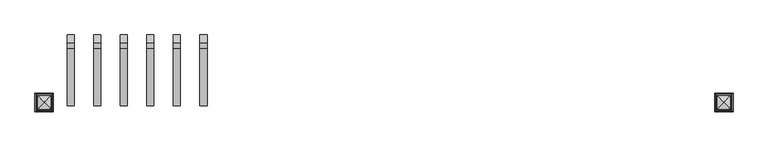
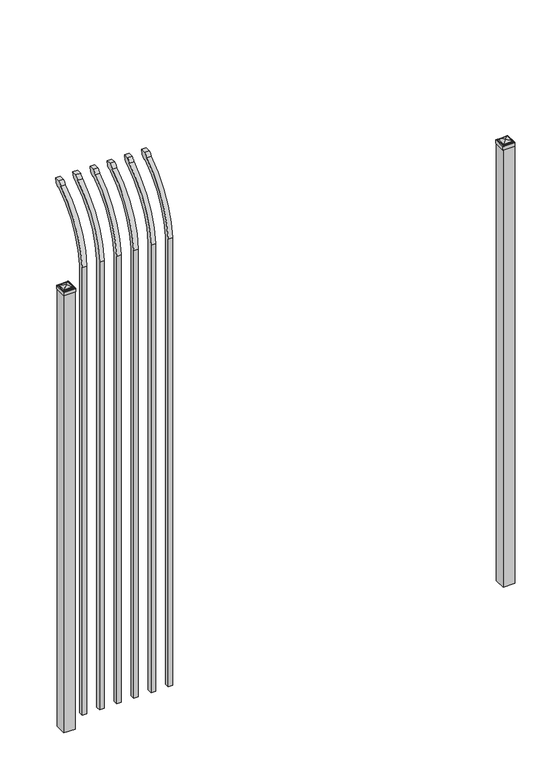
"""IFC4 building model written with IfcOpenShell, lengths in millimetres: railing geometry."""

from ifc_helpers import new_model, si_unit, point, frame, origin, origin_with_axes, place, context, project, spatial, polyline, circle_curve, ellipse_curve, trimmed, outline, extrude, source, transform, mapped, element, save
from ifc_brep_helpers import plane_surface, cylinder_surface, revolved_surface, extruded_surface, advanced_brep


def railing_c2ad1416(model_context):
    return source(origin(), model_context, "Body", "SolidModel", [
        advanced_brep(
        [(25175.9350064, 8857.619541, 50.8), (25175.9350064, 8857.619541, 2673.5226889), (25175.9350064, 9054.7326851, 3005.7022378), (25175.9350064, 9081.2407099, 3020.3867549), (25175.9350064, 9087.1100864, 3048.0), (25175.9350064, 9058.8799449, 3048.0), (25175.9350064, 9039.4931591, 3027.0682561), (25175.9350064, 8832.219541, 2673.5226889), (25175.9350064, 8832.219541, 50.8), (25150.5350064, 8857.619541, 50.8), (25150.5350064, 8857.619541, 2673.5226889), (25150.5350064, 8832.219541, 2673.5226889), (25150.5350064, 8832.219541, 50.8), (25150.5350064, 9039.4931591, 3027.0682561), (25150.5350064, 9058.8799449, 3048.0), (25150.5350064, 9087.1100864, 3048.0), (25150.5350064, 9081.2407099, 3020.3867549), (25150.5350064, 9054.7326851, 3005.7022378)],
        [
            (0, 1),
            (1, 2, circle_curve(frame((25175.9350064, 9294.9874207, 2638.5640776), z_axis=(-1.0, 0.0, 0.0), x_axis=(0.0, 1.0, 0.0)), 438.7627681)),
            (2, 3, ellipse_curve(frame((25175.9350064, 9062.5579376, 3028.1180619), z_axis=(1.0, 0.0, 0.0), x_axis=(0.0, -0.7771459614569761, -0.6293203910498311)), 26.7460194, 19.05)),
            (3, 4),
            (4, 5),
            (5, 6, ellipse_curve(frame((25175.9350064, 9062.5579376, 3028.1180619), z_axis=(0.9999999999999999, 0.0, 0.0), x_axis=(0.0, -0.7771459614569769, -0.62932039104983)), 26.7460194, 19.05)),
            (6, 7, circle_curve(frame((25175.9350064, 9294.0333244, 2640.3065933), z_axis=(1.0, 0.0, 0.0), x_axis=(0.0, 1.0, 0.0)), 463.0067812)),
            (7, 8),
            (8, 0),
            (0, 9),
            (9, 10),
            (10, 1),
            (7, 11),
            (11, 12),
            (12, 8),
            (12, 9),
            (11, 13, circle_curve(frame((25150.5350064, 9294.0333244, 2640.3065933), z_axis=(-1.0, 0.0, 0.0), x_axis=(0.0, 1.0, 0.0)), 463.0067812)),
            (13, 14, ellipse_curve(frame((25150.5350064, 9062.5579376, 3028.1180619), z_axis=(-0.9999999999999999, 0.0, 0.0), x_axis=(0.0, -0.7771459614569769, -0.62932039104983)), 26.7460194, 19.05)),
            (14, 15),
            (15, 16),
            (16, 17, ellipse_curve(frame((25150.5350064, 9062.5579376, 3028.1180619), z_axis=(-1.0, 0.0, 0.0), x_axis=(0.0, -0.7771459614569761, -0.6293203910498311)), 26.7460194, 19.05)),
            (17, 10, circle_curve(frame((25150.5350064, 9294.9874207, 2638.5640776), z_axis=(1.0, 0.0, 0.0), x_axis=(0.0, 1.0, 0.0)), 438.7627681)),
            (17, 2),
            (16, 3),
            (15, 4),
            (14, 5),
            (13, 6),
        ],
        [
            plane_surface(frame((25175.9350064, 8857.619541, 50.8), z_axis=(1.0, 0.0, 0.0), x_axis=(0.0, 0.0, 1.0))),
            plane_surface(frame((25175.9350064, 8857.619541, 50.8), z_axis=(0.0, 1.0, 0.0), x_axis=(-1.0, 0.0, 0.0))),
            plane_surface(frame((25175.9350064, 8832.219541, 2673.5226889), z_axis=(0.0, -1.0, 0.0), x_axis=(-1.0, 0.0, 0.0))),
            plane_surface(frame((25175.9350064, 8832.219541, 50.8), z_axis=(0.0, 0.0, -1.0), x_axis=(-1.0, 0.0, 0.0))),
            plane_surface(frame((25150.5350064, 8857.619541, 50.8), z_axis=(-1.0, 0.0, 0.0), x_axis=(0.0, 0.0, -1.0))),
            revolved_surface(polyline([(25150.5350064, 9733.750188799999, 2638.5640776), (25175.9350064, 9733.750188799999, 2638.5640776)]), (25150.5350064, 9294.9874207, 2638.5640776), (-1.0, 0.0, 0.0)),
            extruded_surface(trimmed(ellipse_curve(frame((25125.1350064, 9062.5579376, 3028.1180619), z_axis=(1.0, 0.0, 0.0), x_axis=(0.0, -0.7771459614569761, -0.6293203910498311)), 26.7460194, 19.05), [point((25125.1350064, 9054.7326851, 3005.7022378))], [point((25125.1350064, 9081.2407099, 3020.3867549))], True, "CARTESIAN"), (25.400000000001455, 0.0, 0.0), 25.400000000001455),
            plane_surface(frame((25175.9350064, 9081.2407099, 3020.3867549), z_axis=(0.0, 0.9781476007338016, -0.2079116908177787), x_axis=(-1.0, 0.0, 0.0))),
            plane_surface(frame((25175.9350064, 9087.1100864, 3048.0), z_axis=(0.0, 0.0, 1.0), x_axis=(-1.0, 0.0, 0.0))),
            extruded_surface(trimmed(ellipse_curve(frame((25125.1350064, 9062.5579376, 3028.1180619), z_axis=(0.9999999999999999, 0.0, 0.0), x_axis=(0.0, -0.7771459614569769, -0.62932039104983)), 26.7460194, 19.05), [point((25125.1350064, 9058.8799449, 3048.0))], [point((25125.1350064, 9039.4931591, 3027.0682561))], True, "CARTESIAN"), (25.400000000001455, 0.0, 0.0), 25.400000000001455),
            cylinder_surface(frame((25150.5350064, 9294.0333244, 2640.3065933), z_axis=(1.0, 0.0, 0.0), x_axis=(0.0, 1.0, 0.0)), 463.0067812),
        ],
        [
            (0, [[1, 2, 3, 4, 5, 6, 7, 8, 9]]),
            (1, [[-1, 10, 11, 12]]),
            (2, [[-8, 13, 14, 15]]),
            (3, [[-9, -15, 16, -10]]),
            (4, [[-16, -14, 17, 18, 19, 20, 21, 22, -11]]),
            (5, [[-2, -12, -22, 23]]),
            (6, [[-3, -23, -21, 24]]),
            (7, [[-4, -24, -20, 25]]),
            (8, [[-5, -25, -19, 26]]),
            (9, [[-6, -26, -18, 27]]),
            (10, [[-7, -27, -17, -13]]),
        ],
    ),
        advanced_brep(
        [(25080.6850064, 8857.619541, 50.8), (25080.6850064, 8857.619541, 2673.5226889), (25080.6850064, 9054.7326851, 3005.7022378), (25080.6850064, 9081.2407099, 3020.3867549), (25080.6850064, 9087.1100864, 3048.0), (25080.6850064, 9058.8799449, 3048.0), (25080.6850064, 9039.4931591, 3027.0682561), (25080.6850064, 8832.219541, 2673.5226889), (25080.6850064, 8832.219541, 50.8), (25055.2850064, 8857.619541, 50.8), (25055.2850064, 8857.619541, 2673.5226889), (25055.2850064, 8832.219541, 2673.5226889), (25055.2850064, 8832.219541, 50.8), (25055.2850064, 9039.4931591, 3027.0682561), (25055.2850064, 9058.8799449, 3048.0), (25055.2850064, 9087.1100864, 3048.0), (25055.2850064, 9081.2407099, 3020.3867549), (25055.2850064, 9054.7326851, 3005.7022378)],
        [
            (0, 1),
            (1, 2, circle_curve(frame((25080.6850064, 9294.9874207, 2638.5640776), z_axis=(-1.0, 0.0, 0.0), x_axis=(0.0, 1.0, 0.0)), 438.7627681)),
            (2, 3, ellipse_curve(frame((25080.6850064, 9062.5579376, 3028.1180619), z_axis=(1.0, 0.0, 0.0), x_axis=(0.0, -0.7771459614569761, -0.6293203910498311)), 26.7460194, 19.05)),
            (3, 4),
            (4, 5),
            (5, 6, ellipse_curve(frame((25080.6850064, 9062.5579376, 3028.1180619), z_axis=(0.9999999999999999, 0.0, 0.0), x_axis=(0.0, -0.7771459614569769, -0.62932039104983)), 26.7460194, 19.05)),
            (6, 7, circle_curve(frame((25080.6850064, 9294.0333244, 2640.3065933), z_axis=(1.0, 0.0, 0.0), x_axis=(0.0, 1.0, 0.0)), 463.0067812)),
            (7, 8),
            (8, 0),
            (0, 9),
            (9, 10),
            (10, 1),
            (7, 11),
            (11, 12),
            (12, 8),
            (12, 9),
            (11, 13, circle_curve(frame((25055.2850064, 9294.0333244, 2640.3065933), z_axis=(-1.0, 0.0, 0.0), x_axis=(0.0, 1.0, 0.0)), 463.0067812)),
            (13, 14, ellipse_curve(frame((25055.2850064, 9062.5579376, 3028.1180619), z_axis=(-0.9999999999999999, 0.0, 0.0), x_axis=(0.0, -0.7771459614569769, -0.62932039104983)), 26.7460194, 19.05)),
            (14, 15),
            (15, 16),
            (16, 17, ellipse_curve(frame((25055.2850064, 9062.5579376, 3028.1180619), z_axis=(-1.0, 0.0, 0.0), x_axis=(0.0, -0.7771459614569761, -0.6293203910498311)), 26.7460194, 19.05)),
            (17, 10, circle_curve(frame((25055.2850064, 9294.9874207, 2638.5640776), z_axis=(1.0, 0.0, 0.0), x_axis=(0.0, 1.0, 0.0)), 438.7627681)),
            (17, 2),
            (16, 3),
            (15, 4),
            (14, 5),
            (13, 6),
        ],
        [
            plane_surface(frame((25080.6850064, 8857.619541, 50.8), z_axis=(1.0, 0.0, 0.0), x_axis=(0.0, 0.0, 1.0))),
            plane_surface(frame((25080.6850064, 8857.619541, 50.8), z_axis=(0.0, 1.0, 0.0), x_axis=(-1.0, 0.0, 0.0))),
            plane_surface(frame((25080.6850064, 8832.219541, 2673.5226889), z_axis=(0.0, -1.0, 0.0), x_axis=(-1.0, 0.0, 0.0))),
            plane_surface(frame((25080.6850064, 8832.219541, 50.8), z_axis=(0.0, 0.0, -1.0), x_axis=(-1.0, 0.0, 0.0))),
            plane_surface(frame((25055.2850064, 8857.619541, 50.8), z_axis=(-1.0, 0.0, 0.0), x_axis=(0.0, 0.0, -1.0))),
            revolved_surface(polyline([(25055.2850064, 9733.750188799999, 2638.5640776), (25080.6850064, 9733.750188799999, 2638.5640776)]), (25055.2850064, 9294.9874207, 2638.5640776), (-1.0, 0.0, 0.0)),
            extruded_surface(trimmed(ellipse_curve(frame((25029.8850064, 9062.5579376, 3028.1180619), z_axis=(1.0, 0.0, 0.0), x_axis=(0.0, -0.7771459614569761, -0.6293203910498311)), 26.7460194, 19.05), [point((25029.8850064, 9054.7326851, 3005.7022378))], [point((25029.8850064, 9081.2407099, 3020.3867549))], True, "CARTESIAN"), (25.400000000001455, 0.0, 0.0), 25.400000000001455),
            plane_surface(frame((25080.6850064, 9081.2407099, 3020.3867549), z_axis=(0.0, 0.9781476007338016, -0.2079116908177787), x_axis=(-1.0, 0.0, 0.0))),
            plane_surface(frame((25080.6850064, 9087.1100864, 3048.0), z_axis=(0.0, 0.0, 1.0), x_axis=(-1.0, 0.0, 0.0))),
            extruded_surface(trimmed(ellipse_curve(frame((25029.8850064, 9062.5579376, 3028.1180619), z_axis=(0.9999999999999999, 0.0, 0.0), x_axis=(0.0, -0.7771459614569769, -0.62932039104983)), 26.7460194, 19.05), [point((25029.8850064, 9058.8799449, 3048.0))], [point((25029.8850064, 9039.4931591, 3027.0682561))], True, "CARTESIAN"), (25.400000000001455, 0.0, 0.0), 25.400000000001455),
            cylinder_surface(frame((25055.2850064, 9294.0333244, 2640.3065933), z_axis=(1.0, 0.0, 0.0), x_axis=(0.0, 1.0, 0.0)), 463.0067812),
        ],
        [
            (0, [[1, 2, 3, 4, 5, 6, 7, 8, 9]]),
            (1, [[-1, 10, 11, 12]]),
            (2, [[-8, 13, 14, 15]]),
            (3, [[-9, -15, 16, -10]]),
            (4, [[-16, -14, 17, 18, 19, 20, 21, 22, -11]]),
            (5, [[-2, -12, -22, 23]]),
            (6, [[-3, -23, -21, 24]]),
            (7, [[-4, -24, -20, 25]]),
            (8, [[-5, -25, -19, 26]]),
            (9, [[-6, -26, -18, 27]]),
            (10, [[-7, -27, -17, -13]]),
        ],
    ),
        advanced_brep(
        [(24985.4350064, 8857.619541, 50.8), (24985.4350064, 8857.619541, 2673.5226889), (24985.4350064, 9054.7326851, 3005.7022378), (24985.4350064, 9081.2407099, 3020.3867549), (24985.4350064, 9087.1100864, 3048.0), (24985.4350064, 9058.8799449, 3048.0), (24985.4350064, 9039.4931591, 3027.0682561), (24985.4350064, 8832.219541, 2673.5226889), (24985.4350064, 8832.219541, 50.8), (24960.0350064, 8857.619541, 50.8), (24960.0350064, 8857.619541, 2673.5226889), (24960.0350064, 8832.219541, 2673.5226889), (24960.0350064, 8832.219541, 50.8), (24960.0350064, 9039.4931591, 3027.0682561), (24960.0350064, 9058.8799449, 3048.0), (24960.0350064, 9087.1100864, 3048.0), (24960.0350064, 9081.2407099, 3020.3867549), (24960.0350064, 9054.7326851, 3005.7022378)],
        [
            (0, 1),
            (1, 2, circle_curve(frame((24985.4350064, 9294.9874207, 2638.5640776), z_axis=(-1.0, 0.0, 0.0), x_axis=(0.0, 1.0, 0.0)), 438.7627681)),
            (2, 3, ellipse_curve(frame((24985.4350064, 9062.5579376, 3028.1180619), z_axis=(1.0, 0.0, 0.0), x_axis=(0.0, -0.7771459614569761, -0.6293203910498311)), 26.7460194, 19.05)),
            (3, 4),
            (4, 5),
            (5, 6, ellipse_curve(frame((24985.4350064, 9062.5579376, 3028.1180619), z_axis=(0.9999999999999999, 0.0, 0.0), x_axis=(0.0, -0.7771459614569769, -0.62932039104983)), 26.7460194, 19.05)),
            (6, 7, circle_curve(frame((24985.4350064, 9294.0333244, 2640.3065933), z_axis=(1.0, 0.0, 0.0), x_axis=(0.0, 1.0, 0.0)), 463.0067812)),
            (7, 8),
            (8, 0),
            (0, 9),
            (9, 10),
            (10, 1),
            (7, 11),
            (11, 12),
            (12, 8),
            (12, 9),
            (11, 13, circle_curve(frame((24960.0350064, 9294.0333244, 2640.3065933), z_axis=(-1.0, 0.0, 0.0), x_axis=(0.0, 1.0, 0.0)), 463.0067812)),
            (13, 14, ellipse_curve(frame((24960.0350064, 9062.5579376, 3028.1180619), z_axis=(-0.9999999999999999, 0.0, 0.0), x_axis=(0.0, -0.7771459614569769, -0.62932039104983)), 26.7460194, 19.05)),
            (14, 15),
            (15, 16),
            (16, 17, ellipse_curve(frame((24960.0350064, 9062.5579376, 3028.1180619), z_axis=(-1.0, 0.0, 0.0), x_axis=(0.0, -0.7771459614569761, -0.6293203910498311)), 26.7460194, 19.05)),
            (17, 10, circle_curve(frame((24960.0350064, 9294.9874207, 2638.5640776), z_axis=(1.0, 0.0, 0.0), x_axis=(0.0, 1.0, 0.0)), 438.7627681)),
            (17, 2),
            (16, 3),
            (15, 4),
            (14, 5),
            (13, 6),
        ],
        [
            plane_surface(frame((24985.4350064, 8857.619541, 50.8), z_axis=(1.0, 0.0, 0.0), x_axis=(0.0, 0.0, 1.0))),
            plane_surface(frame((24985.4350064, 8857.619541, 50.8), z_axis=(0.0, 1.0, 0.0), x_axis=(-1.0, 0.0, 0.0))),
            plane_surface(frame((24985.4350064, 8832.219541, 2673.5226889), z_axis=(0.0, -1.0, 0.0), x_axis=(-1.0, 0.0, 0.0))),
            plane_surface(frame((24985.4350064, 8832.219541, 50.8), z_axis=(0.0, 0.0, -1.0), x_axis=(-1.0, 0.0, 0.0))),
            plane_surface(frame((24960.0350064, 8857.619541, 50.8), z_axis=(-1.0, 0.0, 0.0), x_axis=(0.0, 0.0, -1.0))),
            revolved_surface(polyline([(24960.0350064, 9733.750188799999, 2638.5640776), (24985.4350064, 9733.750188799999, 2638.5640776)]), (24960.0350064, 9294.9874207, 2638.5640776), (-1.0, 0.0, 0.0)),
            extruded_surface(trimmed(ellipse_curve(frame((24934.6350064, 9062.5579376, 3028.1180619), z_axis=(1.0, 0.0, 0.0), x_axis=(0.0, -0.7771459614569761, -0.6293203910498311)), 26.7460194, 19.05), [point((24934.6350064, 9054.7326851, 3005.7022378))], [point((24934.6350064, 9081.2407099, 3020.3867549))], True, "CARTESIAN"), (25.400000000001455, 0.0, 0.0), 25.400000000001455),
            plane_surface(frame((24985.4350064, 9081.2407099, 3020.3867549), z_axis=(0.0, 0.9781476007338016, -0.2079116908177787), x_axis=(-1.0, 0.0, 0.0))),
            plane_surface(frame((24985.4350064, 9087.1100864, 3048.0), z_axis=(0.0, 0.0, 1.0), x_axis=(-1.0, 0.0, 0.0))),
            extruded_surface(trimmed(ellipse_curve(frame((24934.6350064, 9062.5579376, 3028.1180619), z_axis=(0.9999999999999999, 0.0, 0.0), x_axis=(0.0, -0.7771459614569769, -0.62932039104983)), 26.7460194, 19.05), [point((24934.6350064, 9058.8799449, 3048.0))], [point((24934.6350064, 9039.4931591, 3027.0682561))], True, "CARTESIAN"), (25.400000000001455, 0.0, 0.0), 25.400000000001455),
            cylinder_surface(frame((24960.0350064, 9294.0333244, 2640.3065933), z_axis=(1.0, 0.0, 0.0), x_axis=(0.0, 1.0, 0.0)), 463.0067812),
        ],
        [
            (0, [[1, 2, 3, 4, 5, 6, 7, 8, 9]]),
            (1, [[-1, 10, 11, 12]]),
            (2, [[-8, 13, 14, 15]]),
            (3, [[-9, -15, 16, -10]]),
            (4, [[-16, -14, 17, 18, 19, 20, 21, 22, -11]]),
            (5, [[-2, -12, -22, 23]]),
            (6, [[-3, -23, -21, 24]]),
            (7, [[-4, -24, -20, 25]]),
            (8, [[-5, -25, -19, 26]]),
            (9, [[-6, -26, -18, 27]]),
            (10, [[-7, -27, -17, -13]]),
        ],
    ),
        advanced_brep(
        [(24890.1850064, 8857.619541, 50.8), (24890.1850064, 8857.619541, 2673.5226889), (24890.1850064, 9054.7326851, 3005.7022378), (24890.1850064, 9081.2407099, 3020.3867549), (24890.1850064, 9087.1100864, 3048.0), (24890.1850064, 9058.8799449, 3048.0), (24890.1850064, 9039.4931591, 3027.0682561), (24890.1850064, 8832.219541, 2673.5226889), (24890.1850064, 8832.219541, 50.8), (24864.7850064, 8857.619541, 50.8), (24864.7850064, 8857.619541, 2673.5226889), (24864.7850064, 8832.219541, 2673.5226889), (24864.7850064, 8832.219541, 50.8), (24864.7850064, 9039.4931591, 3027.0682561), (24864.7850064, 9058.8799449, 3048.0), (24864.7850064, 9087.1100864, 3048.0), (24864.7850064, 9081.2407099, 3020.3867549), (24864.7850064, 9054.7326851, 3005.7022378)],
        [
            (0, 1),
            (1, 2, circle_curve(frame((24890.1850064, 9294.9874207, 2638.5640776), z_axis=(-1.0, 0.0, 0.0), x_axis=(0.0, 1.0, 0.0)), 438.7627681)),
            (2, 3, ellipse_curve(frame((24890.1850064, 9062.5579376, 3028.1180619), z_axis=(1.0, 0.0, 0.0), x_axis=(0.0, -0.7771459614569761, -0.6293203910498311)), 26.7460194, 19.05)),
            (3, 4),
            (4, 5),
            (5, 6, ellipse_curve(frame((24890.1850064, 9062.5579376, 3028.1180619), z_axis=(0.9999999999999999, 0.0, 0.0), x_axis=(0.0, -0.7771459614569769, -0.62932039104983)), 26.7460194, 19.05)),
            (6, 7, circle_curve(frame((24890.1850064, 9294.0333244, 2640.3065933), z_axis=(1.0, 0.0, 0.0), x_axis=(0.0, 1.0, 0.0)), 463.0067812)),
            (7, 8),
            (8, 0),
            (0, 9),
            (9, 10),
            (10, 1),
            (7, 11),
            (11, 12),
            (12, 8),
            (12, 9),
            (11, 13, circle_curve(frame((24864.7850064, 9294.0333244, 2640.3065933), z_axis=(-1.0, 0.0, 0.0), x_axis=(0.0, 1.0, 0.0)), 463.0067812)),
            (13, 14, ellipse_curve(frame((24864.7850064, 9062.5579376, 3028.1180619), z_axis=(-0.9999999999999999, 0.0, 0.0), x_axis=(0.0, -0.7771459614569769, -0.62932039104983)), 26.7460194, 19.05)),
            (14, 15),
            (15, 16),
            (16, 17, ellipse_curve(frame((24864.7850064, 9062.5579376, 3028.1180619), z_axis=(-1.0, 0.0, 0.0), x_axis=(0.0, -0.7771459614569761, -0.6293203910498311)), 26.7460194, 19.05)),
            (17, 10, circle_curve(frame((24864.7850064, 9294.9874207, 2638.5640776), z_axis=(1.0, 0.0, 0.0), x_axis=(0.0, 1.0, 0.0)), 438.7627681)),
            (17, 2),
            (16, 3),
            (15, 4),
            (14, 5),
            (13, 6),
        ],
        [
            plane_surface(frame((24890.1850064, 8857.619541, 50.8), z_axis=(1.0, 0.0, 0.0), x_axis=(0.0, 0.0, 1.0))),
            plane_surface(frame((24890.1850064, 8857.619541, 50.8), z_axis=(0.0, 1.0, 0.0), x_axis=(-1.0, 0.0, 0.0))),
            plane_surface(frame((24890.1850064, 8832.219541, 2673.5226889), z_axis=(0.0, -1.0, 0.0), x_axis=(-1.0, 0.0, 0.0))),
            plane_surface(frame((24890.1850064, 8832.219541, 50.8), z_axis=(0.0, 0.0, -1.0), x_axis=(-1.0, 0.0, 0.0))),
            plane_surface(frame((24864.7850064, 8857.619541, 50.8), z_axis=(-1.0, 0.0, 0.0), x_axis=(0.0, 0.0, -1.0))),
            revolved_surface(polyline([(24864.7850064, 9733.750188799999, 2638.5640776), (24890.1850064, 9733.750188799999, 2638.5640776)]), (24864.7850064, 9294.9874207, 2638.5640776), (-1.0, 0.0, 0.0)),
            extruded_surface(trimmed(ellipse_curve(frame((24839.3850064, 9062.5579376, 3028.1180619), z_axis=(1.0, 0.0, 0.0), x_axis=(0.0, -0.7771459614569761, -0.6293203910498311)), 26.7460194, 19.05), [point((24839.3850064, 9054.7326851, 3005.7022378))], [point((24839.3850064, 9081.2407099, 3020.3867549))], True, "CARTESIAN"), (25.400000000001455, 0.0, 0.0), 25.400000000001455),
            plane_surface(frame((24890.1850064, 9081.2407099, 3020.3867549), z_axis=(0.0, 0.9781476007338016, -0.2079116908177787), x_axis=(-1.0, 0.0, 0.0))),
            plane_surface(frame((24890.1850064, 9087.1100864, 3048.0), z_axis=(0.0, 0.0, 1.0), x_axis=(-1.0, 0.0, 0.0))),
            extruded_surface(trimmed(ellipse_curve(frame((24839.3850064, 9062.5579376, 3028.1180619), z_axis=(0.9999999999999999, 0.0, 0.0), x_axis=(0.0, -0.7771459614569769, -0.62932039104983)), 26.7460194, 19.05), [point((24839.3850064, 9058.8799449, 3048.0))], [point((24839.3850064, 9039.4931591, 3027.0682561))], True, "CARTESIAN"), (25.400000000001455, 0.0, 0.0), 25.400000000001455),
            cylinder_surface(frame((24864.7850064, 9294.0333244, 2640.3065933), z_axis=(1.0, 0.0, 0.0), x_axis=(0.0, 1.0, 0.0)), 463.0067812),
        ],
        [
            (0, [[1, 2, 3, 4, 5, 6, 7, 8, 9]]),
            (1, [[-1, 10, 11, 12]]),
            (2, [[-8, 13, 14, 15]]),
            (3, [[-9, -15, 16, -10]]),
            (4, [[-16, -14, 17, 18, 19, 20, 21, 22, -11]]),
            (5, [[-2, -12, -22, 23]]),
            (6, [[-3, -23, -21, 24]]),
            (7, [[-4, -24, -20, 25]]),
            (8, [[-5, -25, -19, 26]]),
            (9, [[-6, -26, -18, 27]]),
            (10, [[-7, -27, -17, -13]]),
        ],
    ),
        advanced_brep(
        [(24794.9350064, 8857.619541, 50.8), (24794.9350064, 8857.619541, 2673.5226889), (24794.9350064, 9054.7326851, 3005.7022378), (24794.9350064, 9081.2407099, 3020.3867549), (24794.9350064, 9087.1100864, 3048.0), (24794.9350064, 9058.8799449, 3048.0), (24794.9350064, 9039.4931591, 3027.0682561), (24794.9350064, 8832.219541, 2673.5226889), (24794.9350064, 8832.219541, 50.8), (24769.5350064, 8857.619541, 50.8), (24769.5350064, 8857.619541, 2673.5226889), (24769.5350064, 8832.219541, 2673.5226889), (24769.5350064, 8832.219541, 50.8), (24769.5350064, 9039.4931591, 3027.0682561), (24769.5350064, 9058.8799449, 3048.0), (24769.5350064, 9087.1100864, 3048.0), (24769.5350064, 9081.2407099, 3020.3867549), (24769.5350064, 9054.7326851, 3005.7022378)],
        [
            (0, 1),
            (1, 2, circle_curve(frame((24794.9350064, 9294.9874207, 2638.5640776), z_axis=(-1.0, 0.0, 0.0), x_axis=(0.0, 1.0, 0.0)), 438.7627681)),
            (2, 3, ellipse_curve(frame((24794.9350064, 9062.5579376, 3028.1180619), z_axis=(1.0, 0.0, 0.0), x_axis=(0.0, -0.7771459614569761, -0.6293203910498311)), 26.7460194, 19.05)),
            (3, 4),
            (4, 5),
            (5, 6, ellipse_curve(frame((24794.9350064, 9062.5579376, 3028.1180619), z_axis=(0.9999999999999999, 0.0, 0.0), x_axis=(0.0, -0.7771459614569769, -0.62932039104983)), 26.7460194, 19.05)),
            (6, 7, circle_curve(frame((24794.9350064, 9294.0333244, 2640.3065933), z_axis=(1.0, 0.0, 0.0), x_axis=(0.0, 1.0, 0.0)), 463.0067812)),
            (7, 8),
            (8, 0),
            (0, 9),
            (9, 10),
            (10, 1),
            (7, 11),
            (11, 12),
            (12, 8),
            (12, 9),
            (11, 13, circle_curve(frame((24769.5350064, 9294.0333244, 2640.3065933), z_axis=(-1.0, 0.0, 0.0), x_axis=(0.0, 1.0, 0.0)), 463.0067812)),
            (13, 14, ellipse_curve(frame((24769.5350064, 9062.5579376, 3028.1180619), z_axis=(-0.9999999999999999, 0.0, 0.0), x_axis=(0.0, -0.7771459614569769, -0.62932039104983)), 26.7460194, 19.05)),
            (14, 15),
            (15, 16),
            (16, 17, ellipse_curve(frame((24769.5350064, 9062.5579376, 3028.1180619), z_axis=(-1.0, 0.0, 0.0), x_axis=(0.0, -0.7771459614569761, -0.6293203910498311)), 26.7460194, 19.05)),
            (17, 10, circle_curve(frame((24769.5350064, 9294.9874207, 2638.5640776), z_axis=(1.0, 0.0, 0.0), x_axis=(0.0, 1.0, 0.0)), 438.7627681)),
            (17, 2),
            (16, 3),
            (15, 4),
            (14, 5),
            (13, 6),
        ],
        [
            plane_surface(frame((24794.9350064, 8857.619541, 50.8), z_axis=(1.0, 0.0, 0.0), x_axis=(0.0, 0.0, 1.0))),
            plane_surface(frame((24794.9350064, 8857.619541, 50.8), z_axis=(0.0, 1.0, 0.0), x_axis=(-1.0, 0.0, 0.0))),
            plane_surface(frame((24794.9350064, 8832.219541, 2673.5226889), z_axis=(0.0, -1.0, 0.0), x_axis=(-1.0, 0.0, 0.0))),
            plane_surface(frame((24794.9350064, 8832.219541, 50.8), z_axis=(0.0, 0.0, -1.0), x_axis=(-1.0, 0.0, 0.0))),
            plane_surface(frame((24769.5350064, 8857.619541, 50.8), z_axis=(-1.0, 0.0, 0.0), x_axis=(0.0, 0.0, -1.0))),
            revolved_surface(polyline([(24769.5350064, 9733.750188799999, 2638.5640776), (24794.9350064, 9733.750188799999, 2638.5640776)]), (24769.5350064, 9294.9874207, 2638.5640776), (-1.0, 0.0, 0.0)),
            extruded_surface(trimmed(ellipse_curve(frame((24744.1350064, 9062.5579376, 3028.1180619), z_axis=(1.0, 0.0, 0.0), x_axis=(0.0, -0.7771459614569761, -0.6293203910498311)), 26.7460194, 19.05), [point((24744.1350064, 9054.7326851, 3005.7022378))], [point((24744.1350064, 9081.2407099, 3020.3867549))], True, "CARTESIAN"), (25.400000000001455, 0.0, 0.0), 25.400000000001455),
            plane_surface(frame((24794.9350064, 9081.2407099, 3020.3867549), z_axis=(0.0, 0.9781476007338016, -0.2079116908177787), x_axis=(-1.0, 0.0, 0.0))),
            plane_surface(frame((24794.9350064, 9087.1100864, 3048.0), z_axis=(0.0, 0.0, 1.0), x_axis=(-1.0, 0.0, 0.0))),
            extruded_surface(trimmed(ellipse_curve(frame((24744.1350064, 9062.5579376, 3028.1180619), z_axis=(0.9999999999999999, 0.0, 0.0), x_axis=(0.0, -0.7771459614569769, -0.62932039104983)), 26.7460194, 19.05), [point((24744.1350064, 9058.8799449, 3048.0))], [point((24744.1350064, 9039.4931591, 3027.0682561))], True, "CARTESIAN"), (25.400000000001455, 0.0, 0.0), 25.400000000001455),
            cylinder_surface(frame((24769.5350064, 9294.0333244, 2640.3065933), z_axis=(1.0, 0.0, 0.0), x_axis=(0.0, 1.0, 0.0)), 463.0067812),
        ],
        [
            (0, [[1, 2, 3, 4, 5, 6, 7, 8, 9]]),
            (1, [[-1, 10, 11, 12]]),
            (2, [[-8, 13, 14, 15]]),
            (3, [[-9, -15, 16, -10]]),
            (4, [[-16, -14, 17, 18, 19, 20, 21, 22, -11]]),
            (5, [[-2, -12, -22, 23]]),
            (6, [[-3, -23, -21, 24]]),
            (7, [[-4, -24, -20, 25]]),
            (8, [[-5, -25, -19, 26]]),
            (9, [[-6, -26, -18, 27]]),
            (10, [[-7, -27, -17, -13]]),
        ],
    ),
        advanced_brep(
        [(24699.6850064, 8857.619541, 50.8), (24699.6850064, 8857.619541, 2673.5226889), (24699.6850064, 9054.7326851, 3005.7022378), (24699.6850064, 9081.2407099, 3020.3867549), (24699.6850064, 9087.1100864, 3048.0), (24699.6850064, 9058.8799449, 3048.0), (24699.6850064, 9039.4931591, 3027.0682561), (24699.6850064, 8832.219541, 2673.5226889), (24699.6850064, 8832.219541, 50.8), (24674.2850064, 8857.619541, 50.8), (24674.2850064, 8857.619541, 2673.5226889), (24674.2850064, 8832.219541, 2673.5226889), (24674.2850064, 8832.219541, 50.8), (24674.2850064, 9039.4931591, 3027.0682561), (24674.2850064, 9058.8799449, 3048.0), (24674.2850064, 9087.1100864, 3048.0), (24674.2850064, 9081.2407099, 3020.3867549), (24674.2850064, 9054.7326851, 3005.7022378)],
        [
            (0, 1),
            (1, 2, circle_curve(frame((24699.6850064, 9294.9874207, 2638.5640776), z_axis=(-1.0, 0.0, 0.0), x_axis=(0.0, 1.0, 0.0)), 438.7627681)),
            (2, 3, ellipse_curve(frame((24699.6850064, 9062.5579376, 3028.1180619), z_axis=(1.0, 0.0, 0.0), x_axis=(0.0, -0.7771459614569761, -0.6293203910498311)), 26.7460194, 19.05)),
            (3, 4),
            (4, 5),
            (5, 6, ellipse_curve(frame((24699.6850064, 9062.5579376, 3028.1180619), z_axis=(0.9999999999999999, 0.0, 0.0), x_axis=(0.0, -0.7771459614569769, -0.62932039104983)), 26.7460194, 19.05)),
            (6, 7, circle_curve(frame((24699.6850064, 9294.0333244, 2640.3065933), z_axis=(1.0, 0.0, 0.0), x_axis=(0.0, 1.0, 0.0)), 463.0067812)),
            (7, 8),
            (8, 0),
            (0, 9),
            (9, 10),
            (10, 1),
            (7, 11),
            (11, 12),
            (12, 8),
            (12, 9),
            (11, 13, circle_curve(frame((24674.2850064, 9294.0333244, 2640.3065933), z_axis=(-1.0, 0.0, 0.0), x_axis=(0.0, 1.0, 0.0)), 463.0067812)),
            (13, 14, ellipse_curve(frame((24674.2850064, 9062.5579376, 3028.1180619), z_axis=(-0.9999999999999999, 0.0, 0.0), x_axis=(0.0, -0.7771459614569769, -0.62932039104983)), 26.7460194, 19.05)),
            (14, 15),
            (15, 16),
            (16, 17, ellipse_curve(frame((24674.2850064, 9062.5579376, 3028.1180619), z_axis=(-1.0, 0.0, 0.0), x_axis=(0.0, -0.7771459614569761, -0.6293203910498311)), 26.7460194, 19.05)),
            (17, 10, circle_curve(frame((24674.2850064, 9294.9874207, 2638.5640776), z_axis=(1.0, 0.0, 0.0), x_axis=(0.0, 1.0, 0.0)), 438.7627681)),
            (17, 2),
            (16, 3),
            (15, 4),
            (14, 5),
            (13, 6),
        ],
        [
            plane_surface(frame((24699.6850064, 8857.619541, 50.8), z_axis=(1.0, 0.0, 0.0), x_axis=(0.0, 0.0, 1.0))),
            plane_surface(frame((24699.6850064, 8857.619541, 50.8), z_axis=(0.0, 1.0, 0.0), x_axis=(-1.0, 0.0, 0.0))),
            plane_surface(frame((24699.6850064, 8832.219541, 2673.5226889), z_axis=(0.0, -1.0, 0.0), x_axis=(-1.0, 0.0, 0.0))),
            plane_surface(frame((24699.6850064, 8832.219541, 50.8), z_axis=(0.0, 0.0, -1.0), x_axis=(-1.0, 0.0, 0.0))),
            plane_surface(frame((24674.2850064, 8857.619541, 50.8), z_axis=(-1.0, 0.0, 0.0), x_axis=(0.0, 0.0, -1.0))),
            revolved_surface(polyline([(24674.2850064, 9733.750188799999, 2638.5640776), (24699.6850064, 9733.750188799999, 2638.5640776)]), (24674.2850064, 9294.9874207, 2638.5640776), (-1.0, 0.0, 0.0)),
            extruded_surface(trimmed(ellipse_curve(frame((24648.8850064, 9062.5579376, 3028.1180619), z_axis=(1.0, 0.0, 0.0), x_axis=(0.0, -0.7771459614569761, -0.6293203910498311)), 26.7460194, 19.05), [point((24648.8850064, 9054.7326851, 3005.7022378))], [point((24648.8850064, 9081.2407099, 3020.3867549))], True, "CARTESIAN"), (25.400000000001455, 0.0, 0.0), 25.400000000001455),
            plane_surface(frame((24699.6850064, 9081.2407099, 3020.3867549), z_axis=(0.0, 0.9781476007338016, -0.2079116908177787), x_axis=(-1.0, 0.0, 0.0))),
            plane_surface(frame((24699.6850064, 9087.1100864, 3048.0), z_axis=(0.0, 0.0, 1.0), x_axis=(-1.0, 0.0, 0.0))),
            extruded_surface(trimmed(ellipse_curve(frame((24648.8850064, 9062.5579376, 3028.1180619), z_axis=(0.9999999999999999, 0.0, 0.0), x_axis=(0.0, -0.7771459614569769, -0.62932039104983)), 26.7460194, 19.05), [point((24648.8850064, 9058.8799449, 3048.0))], [point((24648.8850064, 9039.4931591, 3027.0682561))], True, "CARTESIAN"), (25.400000000001455, 0.0, 0.0), 25.400000000001455),
            cylinder_surface(frame((24674.2850064, 9294.0333244, 2640.3065933), z_axis=(1.0, 0.0, 0.0), x_axis=(0.0, 1.0, 0.0)), 463.0067812),
        ],
        [
            (0, [[1, 2, 3, 4, 5, 6, 7, 8, 9]]),
            (1, [[-1, 10, 11, 12]]),
            (2, [[-8, 13, 14, 15]]),
            (3, [[-9, -15, 16, -10]]),
            (4, [[-16, -14, 17, 18, 19, 20, 21, 22, -11]]),
            (5, [[-2, -12, -22, 23]]),
            (6, [[-3, -23, -21, 24]]),
            (7, [[-4, -24, -20, 25]]),
            (8, [[-5, -25, -19, 26]]),
            (9, [[-6, -26, -18, 27]]),
            (10, [[-7, -27, -17, -13]]),
        ],
    ),
        extrude(outline(polyline([(27061.8850064, 8876.669541), (27061.8850064, 8813.169541), (26998.3850064, 8813.169541), (26998.3850064, 8876.669541), (27061.8850064, 8876.669541)])), origin_with_axes(), (0.0, 0.0, 1.0), 2563.8125),
        advanced_brep(
        [(26996.7975064, 8878.257041, 2582.06875), (26996.7975064, 8878.257041, 2563.8125), (26996.7975064, 8811.582041, 2563.8125), (26996.7975064, 8811.582041, 2582.06875), (26999.1787564, 8875.875791, 2584.45), (26999.1787564, 8813.963291, 2584.45), (27001.5600064, 8873.494541, 2586.83125), (27001.5600064, 8873.494541, 2584.45), (27001.5600064, 8816.344541, 2584.45), (27001.5600064, 8816.344541, 2586.83125), (27003.9412564, 8871.113291, 2589.2125), (27003.9412564, 8818.725791, 2589.2125), (27030.1350064, 8844.919541, 2595.5625), (27006.3225064, 8868.732041, 2589.2125), (27006.3225064, 8821.107041, 2589.2125), (27063.4725064, 8811.582041, 2563.8125), (27063.4725064, 8811.582041, 2582.06875), (27061.0912564, 8813.963291, 2584.45), (27058.7100064, 8816.344541, 2584.45), (27058.7100064, 8816.344541, 2586.83125), (27056.3287564, 8818.725791, 2589.2125), (27053.9475064, 8821.107041, 2589.2125), (27063.4725064, 8878.257041, 2563.8125), (27063.4725064, 8878.257041, 2582.06875), (27061.0912564, 8875.875791, 2584.45), (27058.7100064, 8873.494541, 2584.45), (27058.7100064, 8873.494541, 2586.83125), (27056.3287564, 8871.113291, 2589.2125), (27053.9475064, 8868.732041, 2589.2125)],
        [
            (0, 1),
            (1, 2),
            (2, 3),
            (3, 0),
            (4, 0, ellipse_curve(frame((26999.1787564, 8875.875791, 2582.06875), z_axis=(-0.70710678118655, -0.7071067811865449, 0.0), x_axis=(-0.7071067811865448, 0.7071067811865501, 0.0)), 3.367596, 2.38125)),
            (3, 5, ellipse_curve(frame((26999.1787564, 8813.963291, 2582.06875), z_axis=(-0.7071067811865449, 0.70710678118655, 0.0), x_axis=(0.7071067811865499, 0.707106781186545, 0.0)), 3.367596, 2.38125)),
            (5, 4),
            (6, 7),
            (7, 8),
            (8, 9),
            (9, 6),
            (10, 6, ellipse_curve(frame((27003.9412564, 8871.113291, 2586.83125), z_axis=(-0.70710678118655, -0.7071067811865449, 0.0), x_axis=(-0.7071067811865448, 0.7071067811865501, 0.0)), 3.367596, 2.38125)),
            (9, 11, ellipse_curve(frame((27003.9412564, 8818.725791, 2586.83125), z_axis=(-0.7071067811865449, 0.70710678118655, 0.0), x_axis=(0.7071067811865499, 0.707106781186545, 0.0)), 3.367596, 2.38125)),
            (11, 10),
            (12, 13, ellipse_curve(frame((27030.1350064, 8844.919541, 2547.7390625), z_axis=(-0.70710678118655, -0.7071067811865449, 0.0), x_axis=(-0.7071067811865448, 0.7071067811865501, 0.0)), 67.6325539, 47.8234375)),
            (13, 14),
            (14, 12, ellipse_curve(frame((27030.1350064, 8844.919541, 2547.7390625), z_axis=(-0.7071067811865449, 0.70710678118655, 0.0), x_axis=(0.7071067811865499, 0.707106781186545, 0.0)), 67.6325539, 47.8234375)),
            (2, 15),
            (15, 16),
            (16, 3),
            (16, 17, ellipse_curve(frame((27061.0912564, 8813.963291, 2582.06875), z_axis=(-0.70710678118655, -0.707106781186545, 0.0), x_axis=(-0.707106781186545, 0.70710678118655, 0.0)), 3.367596, 2.38125)),
            (17, 5),
            (8, 18),
            (18, 19),
            (19, 9),
            (19, 20, ellipse_curve(frame((27056.3287564, 8818.725791, 2586.83125), z_axis=(-0.70710678118655, -0.707106781186545, 0.0), x_axis=(-0.707106781186545, 0.70710678118655, 0.0)), 3.367596, 2.38125)),
            (20, 11),
            (14, 21),
            (21, 12, ellipse_curve(frame((27030.1350064, 8844.919541, 2547.7390625), z_axis=(-0.70710678118655, -0.707106781186545, 0.0), x_axis=(-0.707106781186545, 0.70710678118655, 0.0)), 67.6325539, 47.8234375)),
            (15, 22),
            (22, 23),
            (23, 16),
            (23, 24, ellipse_curve(frame((27061.0912564, 8875.875791, 2582.06875), z_axis=(0.707106781186545, -0.7071067811865499, 0.0), x_axis=(-0.7071067811865497, -0.7071067811865452, 0.0)), 3.367596, 2.38125)),
            (24, 17),
            (18, 25),
            (25, 26),
            (26, 19),
            (26, 27, ellipse_curve(frame((27056.3287564, 8871.113291, 2586.83125), z_axis=(0.707106781186545, -0.7071067811865499, 0.0), x_axis=(-0.7071067811865497, -0.7071067811865452, 0.0)), 3.367596, 2.38125)),
            (27, 20),
            (21, 28),
            (28, 12, ellipse_curve(frame((27030.1350064, 8844.919541, 2547.7390625), z_axis=(0.707106781186545, -0.7071067811865499, 0.0), x_axis=(-0.7071067811865497, -0.7071067811865452, 0.0)), 67.6325539, 47.8234375)),
            (22, 1),
            (0, 23),
            (4, 24),
            (7, 25),
            (6, 26),
            (10, 27),
            (13, 28),
        ],
        [
            plane_surface(frame((26996.7975064, 8878.257041, 2563.8125), z_axis=(-1.0, 0.0, 0.0), x_axis=(0.0, -1.0, 0.0))),
            cylinder_surface(frame((26999.1787564, 8876.669541, 2582.06875), z_axis=(0.0, 1.0, 0.0), x_axis=(1.0, 0.0, 0.0)), 2.38125),
            plane_surface(frame((27001.5600064, 8873.494541, 2584.45), z_axis=(-1.0, 0.0, 0.0), x_axis=(0.0, -1.0, 0.0))),
            cylinder_surface(frame((27003.9412564, 8876.669541, 2586.83125), z_axis=(0.0, 1.0, 0.0), x_axis=(1.0, 0.0, 0.0)), 2.38125),
            cylinder_surface(frame((27030.1350064, 8876.669541, 2547.7390625), z_axis=(0.0, 1.0, 0.0), x_axis=(1.0, 0.0, 0.0)), 47.8234375),
            plane_surface(frame((26996.7975064, 8811.582041, 2563.8125), z_axis=(0.0, -1.0, 0.0), x_axis=(1.0, 0.0, 0.0))),
            cylinder_surface(frame((26998.3850064, 8813.963291, 2582.06875), z_axis=(-1.0, 0.0, 0.0), x_axis=(0.0, 1.0, 0.0)), 2.38125),
            plane_surface(frame((27001.5600064, 8816.344541, 2584.45), z_axis=(0.0, -1.0, 0.0), x_axis=(1.0, 0.0, 0.0))),
            cylinder_surface(frame((26998.3850064, 8818.725791, 2586.83125), z_axis=(-1.0, 0.0, 0.0), x_axis=(0.0, 1.0, 0.0)), 2.38125),
            cylinder_surface(frame((26998.3850064, 8844.919541, 2547.7390625), z_axis=(-1.0, 0.0, 0.0), x_axis=(0.0, 1.0, 0.0)), 47.8234375),
            plane_surface(frame((27063.4725064, 8811.582041, 2563.8125), z_axis=(1.0, 0.0, 0.0), x_axis=(0.0, 1.0, 0.0))),
            cylinder_surface(frame((27061.0912564, 8813.169541, 2582.06875), z_axis=(0.0, -1.0, 0.0), x_axis=(-1.0, 0.0, 0.0)), 2.38125),
            plane_surface(frame((27058.7100064, 8816.344541, 2584.45), z_axis=(1.0, 0.0, 0.0), x_axis=(0.0, 1.0, 0.0))),
            cylinder_surface(frame((27056.3287564, 8813.169541, 2586.83125), z_axis=(0.0, -1.0, 0.0), x_axis=(-1.0, 0.0, 0.0)), 2.38125),
            cylinder_surface(frame((27030.1350064, 8813.169541, 2547.7390625), z_axis=(0.0, -1.0, 0.0), x_axis=(-1.0, 0.0, 0.0)), 47.8234375),
            plane_surface(frame((27063.4725064, 8878.257041, 2563.8125), z_axis=(0.0, 1.0, 0.0), x_axis=(-1.0, 0.0, 0.0))),
            cylinder_surface(frame((27061.8850064, 8875.875791, 2582.06875), z_axis=(1.0, 0.0, 0.0), x_axis=(0.0, -1.0, 0.0)), 2.38125),
            plane_surface(frame((27061.0912564, 8875.875791, 2584.45), z_axis=(0.0, 0.0, 1.0), x_axis=(-1.0, 0.0, 0.0))),
            plane_surface(frame((27058.7100064, 8873.494541, 2584.45), z_axis=(0.0, 1.0, 0.0), x_axis=(-1.0, 0.0, 0.0))),
            cylinder_surface(frame((27061.8850064, 8871.113291, 2586.83125), z_axis=(1.0, 0.0, 0.0), x_axis=(0.0, -1.0, 0.0)), 2.38125),
            plane_surface(frame((27056.3287564, 8871.113291, 2589.2125), z_axis=(0.0, 0.0, 1.0), x_axis=(-1.0, 0.0, 0.0))),
            cylinder_surface(frame((27061.8850064, 8844.919541, 2547.7390625), z_axis=(1.0, 0.0, 0.0), x_axis=(0.0, -1.0, 0.0)), 47.8234375),
            plane_surface(frame((27030.1350064, 8844.919541, 2563.8125), z_axis=(0.0, 0.0, -1.0), x_axis=(-1.0, 0.0, 0.0))),
        ],
        [
            (0, [[1, 2, 3, 4]]),
            (1, [[5, -4, 6, 7]]),
            (2, [[8, 9, 10, 11]]),
            (3, [[12, -11, 13, 14]]),
            (4, [[15, 16, 17]]),
            (5, [[-3, 18, 19, 20]]),
            (6, [[-6, -20, 21, 22]]),
            (7, [[-10, 23, 24, 25]]),
            (8, [[-13, -25, 26, 27]]),
            (9, [[-17, 28, 29]]),
            (10, [[-19, 30, 31, 32]]),
            (11, [[-21, -32, 33, 34]]),
            (12, [[-24, 35, 36, 37]]),
            (13, [[-26, -37, 38, 39]]),
            (14, [[-29, 40, 41]]),
            (15, [[-31, 42, -1, 43]]),
            (16, [[-33, -43, -5, 44]]),
            (17, [[-22, -34, -44, -7], [45, -35, -23, -9]]),
            (18, [[-36, -45, -8, 46]]),
            (19, [[-38, -46, -12, 47]]),
            (20, [[-27, -39, -47, -14], [48, -40, -28, -16]]),
            (21, [[-41, -48, -15]]),
            (22, [[-42, -30, -18, -2]]),
        ],
    ),
        extrude(outline(polyline([(24623.4850064, 8876.669541), (24623.4850064, 8813.169541), (24559.9850064, 8813.169541), (24559.9850064, 8876.669541), (24623.4850064, 8876.669541)])), origin_with_axes(), (0.0, 0.0, 1.0), 2563.8125),
        advanced_brep(
        [(24558.3975064, 8878.257041, 2582.06875), (24558.3975064, 8878.257041, 2563.8125), (24558.3975064, 8811.582041, 2563.8125), (24558.3975064, 8811.582041, 2582.06875), (24560.7787564, 8875.875791, 2584.45), (24560.7787564, 8813.963291, 2584.45), (24563.1600064, 8873.494541, 2586.83125), (24563.1600064, 8873.494541, 2584.45), (24563.1600064, 8816.344541, 2584.45), (24563.1600064, 8816.344541, 2586.83125), (24565.5412564, 8871.113291, 2589.2125), (24565.5412564, 8818.725791, 2589.2125), (24591.7350064, 8844.919541, 2595.5625), (24567.9225064, 8868.732041, 2589.2125), (24567.9225064, 8821.107041, 2589.2125), (24625.0725064, 8811.582041, 2563.8125), (24625.0725064, 8811.582041, 2582.06875), (24622.6912564, 8813.963291, 2584.45), (24620.3100064, 8816.344541, 2584.45), (24620.3100064, 8816.344541, 2586.83125), (24617.9287564, 8818.725791, 2589.2125), (24615.5475064, 8821.107041, 2589.2125), (24625.0725064, 8878.257041, 2563.8125), (24625.0725064, 8878.257041, 2582.06875), (24622.6912564, 8875.875791, 2584.45), (24620.3100064, 8873.494541, 2584.45), (24620.3100064, 8873.494541, 2586.83125), (24617.9287564, 8871.113291, 2589.2125), (24615.5475064, 8868.732041, 2589.2125)],
        [
            (0, 1),
            (1, 2),
            (2, 3),
            (3, 0),
            (4, 0, ellipse_curve(frame((24560.7787564, 8875.875791, 2582.06875), z_axis=(-0.70710678118655, -0.7071067811865449, 0.0), x_axis=(-0.7071067811865448, 0.7071067811865501, 0.0)), 3.367596, 2.38125)),
            (3, 5, ellipse_curve(frame((24560.7787564, 8813.963291, 2582.06875), z_axis=(-0.7071067811865449, 0.70710678118655, 0.0), x_axis=(0.7071067811865499, 0.707106781186545, 0.0)), 3.367596, 2.38125)),
            (5, 4),
            (6, 7),
            (7, 8),
            (8, 9),
            (9, 6),
            (10, 6, ellipse_curve(frame((24565.5412564, 8871.113291, 2586.83125), z_axis=(-0.70710678118655, -0.7071067811865449, 0.0), x_axis=(-0.7071067811865448, 0.7071067811865501, 0.0)), 3.367596, 2.38125)),
            (9, 11, ellipse_curve(frame((24565.5412564, 8818.725791, 2586.83125), z_axis=(-0.7071067811865449, 0.70710678118655, 0.0), x_axis=(0.7071067811865499, 0.707106781186545, 0.0)), 3.367596, 2.38125)),
            (11, 10),
            (12, 13, ellipse_curve(frame((24591.7350064, 8844.919541, 2547.7390625), z_axis=(-0.70710678118655, -0.7071067811865449, 0.0), x_axis=(-0.7071067811865448, 0.7071067811865501, 0.0)), 67.6325539, 47.8234375)),
            (13, 14),
            (14, 12, ellipse_curve(frame((24591.7350064, 8844.919541, 2547.7390625), z_axis=(-0.7071067811865449, 0.70710678118655, 0.0), x_axis=(0.7071067811865499, 0.707106781186545, 0.0)), 67.6325539, 47.8234375)),
            (2, 15),
            (15, 16),
            (16, 3),
            (16, 17, ellipse_curve(frame((24622.6912564, 8813.963291, 2582.06875), z_axis=(-0.70710678118655, -0.707106781186545, 0.0), x_axis=(-0.707106781186545, 0.70710678118655, 0.0)), 3.367596, 2.38125)),
            (17, 5),
            (8, 18),
            (18, 19),
            (19, 9),
            (19, 20, ellipse_curve(frame((24617.9287564, 8818.725791, 2586.83125), z_axis=(-0.70710678118655, -0.707106781186545, 0.0), x_axis=(-0.707106781186545, 0.70710678118655, 0.0)), 3.367596, 2.38125)),
            (20, 11),
            (14, 21),
            (21, 12, ellipse_curve(frame((24591.7350064, 8844.919541, 2547.7390625), z_axis=(-0.70710678118655, -0.707106781186545, 0.0), x_axis=(-0.707106781186545, 0.70710678118655, 0.0)), 67.6325539, 47.8234375)),
            (15, 22),
            (22, 23),
            (23, 16),
            (23, 24, ellipse_curve(frame((24622.6912564, 8875.875791, 2582.06875), z_axis=(0.707106781186545, -0.7071067811865499, 0.0), x_axis=(-0.7071067811865497, -0.7071067811865452, 0.0)), 3.367596, 2.38125)),
            (24, 17),
            (18, 25),
            (25, 26),
            (26, 19),
            (26, 27, ellipse_curve(frame((24617.9287564, 8871.113291, 2586.83125), z_axis=(0.707106781186545, -0.7071067811865499, 0.0), x_axis=(-0.7071067811865497, -0.7071067811865452, 0.0)), 3.367596, 2.38125)),
            (27, 20),
            (21, 28),
            (28, 12, ellipse_curve(frame((24591.7350064, 8844.919541, 2547.7390625), z_axis=(0.707106781186545, -0.7071067811865499, 0.0), x_axis=(-0.7071067811865497, -0.7071067811865452, 0.0)), 67.6325539, 47.8234375)),
            (22, 1),
            (0, 23),
            (4, 24),
            (7, 25),
            (6, 26),
            (10, 27),
            (13, 28),
        ],
        [
            plane_surface(frame((24558.3975064, 8878.257041, 2563.8125), z_axis=(-1.0, 0.0, 0.0), x_axis=(0.0, -1.0, 0.0))),
            cylinder_surface(frame((24560.7787564, 8876.669541, 2582.06875), z_axis=(0.0, 1.0, 0.0), x_axis=(1.0, 0.0, 0.0)), 2.38125),
            plane_surface(frame((24563.1600064, 8873.494541, 2584.45), z_axis=(-1.0, 0.0, 0.0), x_axis=(0.0, -1.0, 0.0))),
            cylinder_surface(frame((24565.5412564, 8876.669541, 2586.83125), z_axis=(0.0, 1.0, 0.0), x_axis=(1.0, 0.0, 0.0)), 2.38125),
            cylinder_surface(frame((24591.7350064, 8876.669541, 2547.7390625), z_axis=(0.0, 1.0, 0.0), x_axis=(1.0, 0.0, 0.0)), 47.8234375),
            plane_surface(frame((24558.3975064, 8811.582041, 2563.8125), z_axis=(0.0, -1.0, 0.0), x_axis=(1.0, 0.0, 0.0))),
            cylinder_surface(frame((24559.9850064, 8813.963291, 2582.06875), z_axis=(-1.0, 0.0, 0.0), x_axis=(0.0, 1.0, 0.0)), 2.38125),
            plane_surface(frame((24563.1600064, 8816.344541, 2584.45), z_axis=(0.0, -1.0, 0.0), x_axis=(1.0, 0.0, 0.0))),
            cylinder_surface(frame((24559.9850064, 8818.725791, 2586.83125), z_axis=(-1.0, 0.0, 0.0), x_axis=(0.0, 1.0, 0.0)), 2.38125),
            cylinder_surface(frame((24559.9850064, 8844.919541, 2547.7390625), z_axis=(-1.0, 0.0, 0.0), x_axis=(0.0, 1.0, 0.0)), 47.8234375),
            plane_surface(frame((24625.0725064, 8811.582041, 2563.8125), z_axis=(1.0, 0.0, 0.0), x_axis=(0.0, 1.0, 0.0))),
            cylinder_surface(frame((24622.6912564, 8813.169541, 2582.06875), z_axis=(0.0, -1.0, 0.0), x_axis=(-1.0, 0.0, 0.0)), 2.38125),
            plane_surface(frame((24620.3100064, 8816.344541, 2584.45), z_axis=(1.0, 0.0, 0.0), x_axis=(0.0, 1.0, 0.0))),
            cylinder_surface(frame((24617.9287564, 8813.169541, 2586.83125), z_axis=(0.0, -1.0, 0.0), x_axis=(-1.0, 0.0, 0.0)), 2.38125),
            cylinder_surface(frame((24591.7350064, 8813.169541, 2547.7390625), z_axis=(0.0, -1.0, 0.0), x_axis=(-1.0, 0.0, 0.0)), 47.8234375),
            plane_surface(frame((24625.0725064, 8878.257041, 2563.8125), z_axis=(0.0, 1.0, 0.0), x_axis=(-1.0, 0.0, 0.0))),
            cylinder_surface(frame((24623.4850064, 8875.875791, 2582.06875), z_axis=(1.0, 0.0, 0.0), x_axis=(0.0, -1.0, 0.0)), 2.38125),
            plane_surface(frame((24622.6912564, 8875.875791, 2584.45), z_axis=(0.0, 0.0, 1.0), x_axis=(-1.0, 0.0, 0.0))),
            plane_surface(frame((24620.3100064, 8873.494541, 2584.45), z_axis=(0.0, 1.0, 0.0), x_axis=(-1.0, 0.0, 0.0))),
            cylinder_surface(frame((24623.4850064, 8871.113291, 2586.83125), z_axis=(1.0, 0.0, 0.0), x_axis=(0.0, -1.0, 0.0)), 2.38125),
            plane_surface(frame((24617.9287564, 8871.113291, 2589.2125), z_axis=(0.0, 0.0, 1.0), x_axis=(-1.0, 0.0, 0.0))),
            cylinder_surface(frame((24623.4850064, 8844.919541, 2547.7390625), z_axis=(1.0, 0.0, 0.0), x_axis=(0.0, -1.0, 0.0)), 47.8234375),
            plane_surface(frame((24591.7350064, 8844.919541, 2563.8125), z_axis=(0.0, 0.0, -1.0), x_axis=(-1.0, 0.0, 0.0))),
        ],
        [
            (0, [[1, 2, 3, 4]]),
            (1, [[5, -4, 6, 7]]),
            (2, [[8, 9, 10, 11]]),
            (3, [[12, -11, 13, 14]]),
            (4, [[15, 16, 17]]),
            (5, [[-3, 18, 19, 20]]),
            (6, [[-6, -20, 21, 22]]),
            (7, [[-10, 23, 24, 25]]),
            (8, [[-13, -25, 26, 27]]),
            (9, [[-17, 28, 29]]),
            (10, [[-19, 30, 31, 32]]),
            (11, [[-21, -32, 33, 34]]),
            (12, [[-24, 35, 36, 37]]),
            (13, [[-26, -37, 38, 39]]),
            (14, [[-29, 40, 41]]),
            (15, [[-31, 42, -1, 43]]),
            (16, [[-33, -43, -5, 44]]),
            (17, [[-22, -34, -44, -7], [45, -35, -23, -9]]),
            (18, [[-36, -45, -8, 46]]),
            (19, [[-38, -46, -12, 47]]),
            (20, [[-27, -39, -47, -14], [48, -40, -28, -16]]),
            (21, [[-41, -48, -15]]),
            (22, [[-42, -30, -18, -2]]),
        ],
    ),
    ])


if __name__ == "__main__":
    model = new_model("IFC4")
    model_context = context("Model", 3, world=origin())
    ifc_project = project(units=[si_unit("LENGTHUNIT", "METRE", prefix="MILLI")], contexts=[model_context])
    site = spatial("IfcSite", under=ifc_project)
    building = spatial("IfcBuilding", under=site)
    placement = place(None, origin())
    railing_shape = railing_c2ad1416(model_context)
    element("IfcRailing", 1, at=placement, inside=building, context=model_context, shape_type="MappedRepresentation", body=[
        mapped(railing_shape, transform((0.0, 0.0, 0.0), x_axis=(1.0, 0.0, 0.0), y_axis=(0.0, 1.0, 0.0), z_axis=(0.0, 0.0, 1.0))),
    ])
    save(model, "model.ifc")
